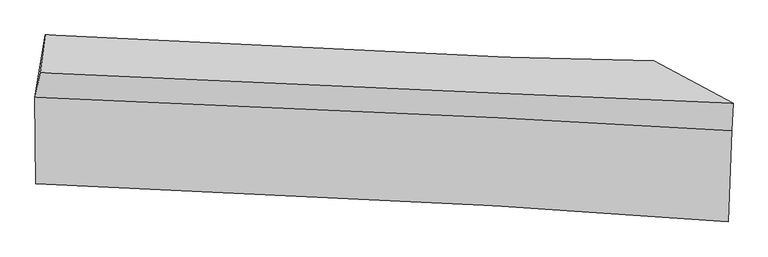
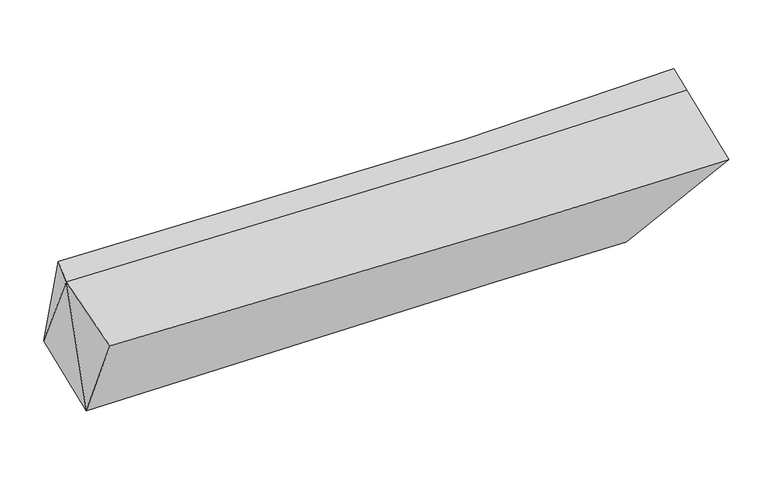
"""IFC4 building model written with IfcOpenShell, lengths in millimetres: proxy geometry."""

import ifcopenshell
import ifcopenshell.guid

model = None  # the IFC model being written
_history = None  # IfcOwnerHistory: only IFC2X3 demands one
_inside = {}  # id of a spatial element -> (the spatial element, [elements in it])
_under = {}  # id of a project, library or spatial element -> (it, [spatial elements below it])
_declared = {}  # id of a project -> (the project, [libraries it declares])
_typed = {}  # id of a type object -> (the type object, [elements of that type])
_made_of = {}  # id of a material, layer set ... -> (it, [elements and type objects made of it])


def new_model(schema):
    """Start an empty IFC model of exactly this schema.

    Asked for "IFC4X3", IfcOpenShell would pick the latest addendum, in which some entities
    have other attributes; the version numbers below select the first issue.
    IFC2X3 requires an IfcOwnerHistory on every rooted entity: one is made here for all.
    """
    global model, _history
    if schema == "IFC4X3":
        model = ifcopenshell.file(schema_version=(4, 3, 0, 0))
    else:
        model = ifcopenshell.file(schema=schema)
    _inside.clear()
    _under.clear()
    _declared.clear()
    _typed.clear()
    _made_of.clear()
    _history = None
    if model.schema == "IFC2X3":
        org = make("IfcOrganization", Name="unknown")
        user = make(
            "IfcPersonAndOrganization",
            ThePerson=make("IfcPerson", FamilyName="unknown"),
            TheOrganization=org,
        )
        app = make(
            "IfcApplication",
            ApplicationDeveloper=org,
            Version="unknown",
            ApplicationFullName="unknown",
            ApplicationIdentifier="unknown",
        )
        _history = make(
            "IfcOwnerHistory",
            OwningUser=user,
            OwningApplication=app,
            ChangeAction="ADDED",
            CreationDate=0,
        )
    return model


def make(cls, **values):
    """One entity of the class cls with the attributes given. An attribute that is None is left unset."""
    return model.create_entity(
        cls, **{name: value for name, value in values.items() if value is not None}
    )


def rooted(cls, **values):
    """An entity with a GlobalId (a new one), such as an element, a storey or a relation."""
    return make(cls, GlobalId=ifcopenshell.guid.new(), OwnerHistory=_history, **values)


def si_unit(unit_type, name, prefix=None):
    """IfcSIUnit, for example si_unit("LENGTHUNIT", "METRE", prefix="MILLI")."""
    return make("IfcSIUnit", UnitType=unit_type, Prefix=prefix, Name=name)


def assignment(units):
    """IfcUnitAssignment: the units of a project."""
    return None if units is None else make("IfcUnitAssignment", Units=units)


def point(xyz):
    """IfcCartesianPoint."""
    return None if xyz is None else make("IfcCartesianPoint", Coordinates=xyz)


def direction(xyz):
    """IfcDirection."""
    return None if xyz is None else make("IfcDirection", DirectionRatios=xyz)


def frame(location, z_axis=None, x_axis=None):
    """IfcAxis2Placement3D, a coordinate frame: its origin and axes. An axis left out is left unset."""
    return make(
        "IfcAxis2Placement3D",
        Location=point(location),
        Axis=direction(z_axis),
        RefDirection=direction(x_axis),
    )


def origin():
    """The frame at (0, 0, 0) with its axes left unset."""
    return frame((0.0, 0.0, 0.0))


def place(relative_to, where):
    """IfcLocalPlacement: puts the frame where relative to a parent placement (None: the world)."""
    return make(
        "IfcLocalPlacement", PlacementRelTo=relative_to, RelativePlacement=where
    )


def context(
    kind, dimensions, precision=None, world=None, true_north=None, identifier=None
):
    """IfcGeometricRepresentationContext, for example the 3D "Model" context."""
    return make(
        "IfcGeometricRepresentationContext",
        ContextIdentifier=identifier,
        ContextType=kind,
        CoordinateSpaceDimension=dimensions,
        Precision=precision,
        WorldCoordinateSystem=world,
        TrueNorth=true_north,
    )


def project(units=None, contexts=None):
    """IfcProject with its units and contexts."""
    return rooted(
        "IfcProject",
        Name="project",
        RepresentationContexts=contexts,
        UnitsInContext=assignment(units),
    )


def spatial(cls, under=None, at=None, **own):
    """A site, building, storey or space (cls), placed at a placement, below another one or the project."""
    s = rooted(cls, ObjectPlacement=at, **own)
    if under is not None:
        _under.setdefault(under.id(), (under, []))[1].append(s)
    return s


def shape(context_of_items, identifier, shape_type, items):
    """IfcShapeRepresentation: the items that make up one representation, for example the "Body"."""
    return make(
        "IfcShapeRepresentation",
        ContextOfItems=context_of_items,
        RepresentationIdentifier=identifier,
        RepresentationType=shape_type,
        Items=items,
    )


def source(mapping_origin, context_of_items, identifier, shape_type, items):
    """IfcRepresentationMap: a shape defined once, which mapped items show again and again."""
    return make(
        "IfcRepresentationMap",
        MappingOrigin=mapping_origin,
        MappedRepresentation=shape(context_of_items, identifier, shape_type, items),
    )


def transform(
    local_origin,
    x_axis=None,
    y_axis=None,
    z_axis=None,
    scale=None,
    scale2=None,
    scale3=None,
    uniform=True,
):
    """IfcCartesianTransformationOperator3D, or its non-uniform kind. x_axis, y_axis, z_axis: its Axis1, 2, 3."""
    if uniform:
        return make(
            "IfcCartesianTransformationOperator3D",
            Axis1=direction(x_axis),
            Axis2=direction(y_axis),
            LocalOrigin=point(local_origin),
            Scale=scale,
            Axis3=direction(z_axis),
        )
    return make(
        "IfcCartesianTransformationOperator3DnonUniform",
        Axis1=direction(x_axis),
        Axis2=direction(y_axis),
        LocalOrigin=point(local_origin),
        Scale=scale,
        Axis3=direction(z_axis),
        Scale2=scale2,
        Scale3=scale3,
    )


def mapped(mapping_source, mapping_target):
    """IfcMappedItem: shows the shape of a source again, moved by a transform."""
    return make(
        "IfcMappedItem", MappingSource=mapping_source, MappingTarget=mapping_target
    )


def made_of(thing, what):
    """Note that an element or type object is made of a material, layer set ...; save() writes the relation."""
    if what is not None:
        _made_of.setdefault(what.id(), (what, []))[1].append(thing)
    return thing


def element(
    cls,
    number,
    at=None,
    inside=None,
    cuts=None,
    type_object=None,
    material=None,
    context=None,
    identifier="Body",
    shape_type=None,
    held_by="IfcProductDefinitionShape",
    body=None,
    shapes=None,
    **own,
):
    """One element of the class cls, such as IfcWall. Its Tag is "e" and its number.

    at: its placement. inside: the storey or other place that contains it. cuts: it is an
    opening in that element (IfcRelVoidsElement). A single representation is given by context,
    identifier, shape_type and body (its items); several are given by shapes. held_by: the class
    of the entity that holds the representations. save() writes the other relations.
    """
    e = rooted(cls, Tag="e%d" % number, ObjectPlacement=at, **own)
    if body is not None:
        shapes = [shape(context, identifier, shape_type, body)]
    if shapes is not None:
        e.Representation = make(held_by, Representations=shapes)
    if inside is not None:
        _inside.setdefault(inside.id(), (inside, []))[1].append(e)
    if cuts is not None:
        rooted(
            "IfcRelVoidsElement", RelatingBuildingElement=cuts, RelatedOpeningElement=e
        )
    if type_object is not None:
        _typed.setdefault(type_object.id(), (type_object, []))[1].append(e)
    return made_of(e, material)


def aggregate(whole, parts):
    """IfcRelAggregates: a whole, such as a stair, and the parts it consists of."""
    return rooted("IfcRelAggregates", RelatingObject=whole, RelatedObjects=parts)


def save(model, path):
    """Write the relations noted so far, then the file.

    IfcRelAggregates (storeys below a building ...), IfcRelContainedInSpatialStructure (elements
    in a storey), IfcRelDefinesByType, IfcRelAssociatesMaterial and IfcRelDeclares: one each for
    every whole, place, type object, material and project.
    """
    for whole, parts in _under.values():
        aggregate(whole, parts)
    for where, things in _inside.values():
        rooted(
            "IfcRelContainedInSpatialStructure",
            RelatedElements=things,
            RelatingStructure=where,
        )
    for kind, things in _typed.values():
        rooted("IfcRelDefinesByType", RelatedObjects=things, RelatingType=kind)
    for what, things in _made_of.values():
        rooted("IfcRelAssociatesMaterial", RelatedObjects=things, RelatingMaterial=what)
    for by, libraries in _declared.values():
        rooted("IfcRelDeclares", RelatingContext=by, RelatedDefinitions=libraries)
    model.write(path)


def plane_surface(at):
    """IfcPlane: the flat surface through the origin of the frame at, square to its z axis."""
    return make("IfcPlane", Position=at)


def spline_curve(degree, points, multiplicities, knots, weights=None):
    """IfcBSplineCurveWithKnots; with weights, IfcRationalBSplineCurveWithKnots."""
    own = dict(
        Degree=degree,
        ControlPointsList=[point(p) for p in points],
        CurveForm="UNSPECIFIED",
        ClosedCurve=False,
        SelfIntersect=False,
        KnotMultiplicities=multiplicities,
        Knots=knots,
        KnotSpec="UNSPECIFIED",
    )
    if weights is None:
        return make("IfcBSplineCurveWithKnots", **own)
    return make("IfcRationalBSplineCurveWithKnots", WeightsData=weights, **own)


def spline_surface(u_degree, v_degree, points, u_multiplicities, v_multiplicities, u_knots, v_knots, weights=None):
    """IfcBSplineSurfaceWithKnots; with weights, IfcRationalBSplineSurfaceWithKnots. points: one row for each step in u."""
    own = dict(
        UDegree=u_degree,
        VDegree=v_degree,
        ControlPointsList=[[point(p) for p in row] for row in points],
        SurfaceForm="UNSPECIFIED",
        UClosed=False,
        VClosed=False,
        SelfIntersect=False,
        UMultiplicities=u_multiplicities,
        VMultiplicities=v_multiplicities,
        UKnots=u_knots,
        VKnots=v_knots,
        KnotSpec="UNSPECIFIED",
    )
    if weights is None:
        return make("IfcBSplineSurfaceWithKnots", **own)
    return make("IfcRationalBSplineSurfaceWithKnots", WeightsData=weights, **own)


def advanced_brep(points, edges, surfaces, faces):
    """IfcAdvancedBrep: a solid bounded by faces that lie on surfaces and meet in shared edges.

    An edge is (start, end): straight between two places in points (the first is 0);
    or (start, end, curve); or (start, end, curve, False) where it runs against its curve.
    A face is (place in surfaces, loops), or (place, loops, False) where it looks against
    its surface's normal. A loop lists edges by number (the first is 1), with a minus sign
    where the edge is run from its end to its start. The first loop is the outer one.
    """
    corners = [point(p) for p in points]
    vertices = [make("IfcVertexPoint", VertexGeometry=c) for c in corners]
    made = []
    for start, end, *more in edges:
        made.append(
            make(
                "IfcEdgeCurve",
                EdgeStart=vertices[start],
                EdgeEnd=vertices[end],
                EdgeGeometry=more[0] if more else make("IfcPolyline", Points=[corners[start], corners[end]]),
                SameSense=more[1] if len(more) > 1 else True,
            )
        )
    hull = []
    for where, loops, *sense in faces:
        bounds = []
        for j, loop in enumerate(loops):
            ring = [make("IfcOrientedEdge", EdgeElement=made[abs(k) - 1], Orientation=k > 0) for k in loop]
            bounds.append(
                make(
                    "IfcFaceOuterBound" if j == 0 else "IfcFaceBound",
                    Bound=make("IfcEdgeLoop", EdgeList=ring),
                    Orientation=True,
                )
            )
        hull.append(make("IfcAdvancedFace", Bounds=bounds, FaceSurface=surfaces[where], SameSense=sense[0] if sense else True))
    return make("IfcAdvancedBrep", Outer=make("IfcClosedShell", CfsFaces=hull))


def generic_models_51214221(model_context):
    return source(origin(), model_context, "Body", "AdvancedBrep", [
        advanced_brep(
        [(-1636.4527594, -1926.3154007, 3384.0360502), (-1632.6319121, -2398.3635976, 3241.7184461), (2154.231353, -2606.5248156, 3287.912356), (2174.5840919, -2109.9920674, 3443.3547895), (-1601.3759085, -2084.6681795, 2606.9663637), (1726.0547623, -2223.5942588, 2654.6432397), (-1580.8887958, -1584.8572002, 2763.4350663), (1746.4318836, -1726.4666691, 2810.2718918), (-1607.8111721, -1792.8278873, 3431.284884), (2180.8381366, -1957.4161404, 3491.1195613)],
        [
            (0, 1),
            (1, 2, spline_curve(3, [(-1632.6319121, -2398.3635976, 3241.7184461), (-905.218733138, -2420.670935597, 3220.139357506), (-69.658762157, -2461.277490282, 3221.16142829), (1280.69525397, -2545.566009265, 3254.964009178), (1707.423038034, -2574.346527163, 3269.339908233), (2154.231353, -2606.5248156, 3287.912356)], [4, 2, 4], [0.0, 8.724621640660754, 12.484098167834253])),
            (2, 3),
            (3, 0, spline_curve(3, [(2174.5840919, -2109.9920674, 3443.3547895), (1728.536450116, -2083.706200262, 3423.173845315), (1301.609533634, -2059.783788421, 3407.277088301), (-52.592969168, -1988.19293557, 3368.715212978), (-896.011669752, -1950.889792079, 3364.839056976), (-1636.4527594, -1926.3154007, 3384.0360502)], [4, 2, 4], [0.0, 3.759476527173499, 12.484098167834253])),
            (1, 4),
            (4, 5, spline_curve(3, [(-1601.3759085, -2084.6681795, 2606.9663637), (-595.249363153, -2121.403841932, 2622.612564484), (249.446513367, -2155.083796166, 2635.086133209), (1227.133600909, -2198.904160623, 2648.394882315), (1491.581281557, -2211.532899248, 2651.813605806), (1726.0547623, -2223.5942588, 2654.6432397)], [4, 2, 4], [0.0, 8.167066185051869, 11.686289697906645])),
            (5, 2),
            (4, 6),
            (6, 7, spline_curve(3, [(-1580.8887958, -1584.8572002, 2763.4350663), (-575.59983107, -1642.026780996, 2772.684311545), (268.825908452, -1682.297089646, 2783.094731695), (1246.938414151, -1715.738804559, 2799.652576859), (1511.619567696, -1722.671652297, 2804.854431667), (1746.4318836, -1726.4666691, 2810.2718918)], [4, 2, 4], [0.0, 7.636746900412815, 10.927453580719082])),
            (7, 5),
            (6, 8),
            (8, 9, spline_curve(3, [(-1607.8111721, -1792.8278873, 3431.284884), (-880.913165861, -1827.703566442, 3405.771203906), (-45.217564635, -1865.001235967, 3407.829140491), (1306.26176221, -1921.836265808, 3450.226193758), (1733.44926388, -1939.401347425, 3468.113149774), (2180.8381366, -1957.4161404, 3491.1195613)], [4, 2, 4], [0.0, 8.167320914680513, 11.68665419161436])),
            (9, 7),
            (8, 0),
            (3, 9),
            (0, 4),
            (6, 0),
        ],
        [
            spline_surface(3, 3, [[(-1636.4527594, -1926.3154007, 3384.0360502), (-896.011669864, -1950.889791978, 3364.839057093), (-52.592969232, -1988.19293569, 3368.715213103), (1301.609533662, -2059.783788369, 3407.277088247), (1728.536450079, -2083.706200259, 3423.173845363), (2174.5840919, -2109.9920674, 3443.3547895)], [(-1635.179143614, -2083.664799656, 3336.596848825), (-899.080690932, -2107.483506496, 3316.605823891), (-58.281566863, -2145.887787248, 3319.530618204), (1294.638107088, -2221.711195338, 3356.506061871), (1721.498646035, -2247.252975892, 3371.89586631), (2167.799845586, -2275.50298347, 3391.540645)], [(-1633.905527886, -2241.014198644, 3289.157647475), (-902.149712059, -2264.077221044, 3268.372590715), (-63.970164483, -2303.582638774, 3270.346023312), (1287.666680525, -2383.638602275, 3305.735035502), (1714.460842032, -2410.799751514, 3320.617887257), (2161.015599314, -2441.01389953, 3339.7265005)], [(-1632.6319121, -2398.3635976, 3241.7184461), (-905.218733127, -2420.670935562, 3220.139357513), (-69.658762114, -2461.277490332, 3221.161428412), (1280.695253951, -2545.566009244, 3254.964009126), (1707.423037988, -2574.346527147, 3269.339908204), (2154.231353, -2606.5248156, 3287.912356)]], [4, 4], [4, 2, 4], [0.0, 1.6356151415542908], [0.0, 8.724621640660754, 12.484098167834253]),
            spline_surface(3, 3, [[(-1632.6319121, -2398.3635976, 3241.7184461), (-905.218733127, -2420.670935562, 3220.139357513), (-69.658762114, -2461.277490332, 3221.161428412), (1280.695253951, -2545.566009244, 3254.964009126), (1707.423037988, -2574.346527147, 3269.339908204), (2154.231353, -2606.5248156, 3287.912356)], [(-1622.213244231, -2293.798458248, 3030.13441864), (-801.895609802, -2320.915237667, 3020.963759865), (36.709662995, -2359.212925628, 3025.80299665), (1262.84136961, -2430.012059678, 3052.774300196), (1635.475785829, -2453.4086512, 3063.497807398), (2011.505822768, -2478.881296678, 3076.822650569)], [(-1611.794576369, -2189.233318852, 2818.55039116), (-698.572486482, -2221.159539729, 2821.788162199), (143.078088138, -2257.148360961, 2830.444564898), (1244.987485301, -2314.45811015, 2850.584591276), (1563.528533665, -2332.47077522, 2857.655706586), (1868.780292532, -2351.237777722, 2865.732945131)], [(-1601.3759085, -2084.6681795, 2606.9663637), (-595.249363157, -2121.403841833, 2622.612564552), (249.446513248, -2155.083796257, 2635.086133136), (1227.13360096, -2198.904160584, 2648.394882346), (1491.581281506, -2211.532899274, 2651.81360578), (1726.0547623, -2223.5942588, 2654.6432397)]], [4, 4], [4, 2, 4], [0.0, 2.3183852979490163], [0.0, 8.167066185051869, 11.686289697906645]),
            spline_surface(3, 3, [[(-1601.3759085, -2084.6681795, 2606.9663637), (-595.249363157, -2121.403841833, 2622.612564552), (249.446513248, -2155.083796257, 2635.086133136), (1227.13360096, -2198.904160584, 2648.394882346), (1491.581281506, -2211.532899274, 2651.81360578), (1726.0547623, -2223.5942588, 2654.6432397)], [(-1594.546870927, -1918.064519733, 2659.122597901), (-588.699519124, -1961.611488201, 2672.636480181), (255.906311688, -1997.488227331, 2684.422332674), (1233.735205381, -2037.849041914, 2698.814113835), (1498.260710253, -2048.579150297, 2702.827214409), (1732.847136076, -2057.885062234, 2706.51945705)], [(-1587.717833373, -1751.460859967, 2711.278832099), (-582.14967511, -1801.819134568, 2722.660395806), (262.366110044, -1839.892658445, 2733.758532228), (1240.336809716, -1876.793923284, 2749.23334534), (1504.940138972, -1885.625401317, 2753.840823089), (1739.639509824, -1892.175865666, 2758.39567445)], [(-1580.8887958, -1584.8572002, 2763.4350663), (-575.599831076, -1642.026780935, 2772.684311435), (268.825908485, -1682.297089519, 2783.094731766), (1246.938414137, -1715.738804614, 2799.652576829), (1511.61956772, -1722.671652341, 2804.854431719), (1746.4318836, -1726.4666691, 2810.2718918)]], [4, 4], [4, 2, 4], [0.0, 1.6418344130207554], [0.0, 7.636746900412815, 10.927453580719082]),
            spline_surface(3, 3, [[(-1580.8887958, -1584.8572002, 2763.4350663), (-575.599831076, -1642.026780935, 2772.684311435), (268.825908485, -1682.297089519, 2783.094731766), (1246.938414137, -1715.738804614, 2799.652576829), (1511.61956772, -1722.671652341, 2804.854431719), (1746.4318836, -1726.4666691, 2810.2718918)], [(-1589.862921251, -1654.180762542, 2986.051672197), (-677.370942712, -1703.919042764, 2983.71327558), (164.144750754, -1743.198471669, 2991.339534648), (1266.712863498, -1784.43795835, 3016.51044916), (1585.562799775, -1794.914884003, 3025.94067107), (1891.233967942, -1803.44982618, 3037.221114967)], [(-1598.837046649, -1723.504324958, 3208.668278103), (-779.142054295, -1765.811304666, 3194.742239736), (59.463593037, -1804.099853808, 3199.584337509), (1286.487312874, -1853.137112076, 3233.36832147), (1659.506031804, -1867.158115725, 3247.026910419), (2036.036052258, -1880.43298332, 3264.170338133)], [(-1607.8111721, -1792.8278873, 3431.284884), (-880.91316593, -1827.703566495, 3405.771203881), (-45.217564694, -1865.001235957, 3407.829140391), (1306.261762235, -1921.836265812, 3450.226193801), (1733.449263859, -1939.401347386, 3468.11314977), (2180.8381366, -1957.4161404, 3491.1195613)]], [4, 4], [4, 2, 4], [0.0, 2.277672565749951], [0.0, 8.167320914680513, 11.68665419161436]),
            spline_surface(3, 3, [[(-1607.8111721, -1792.8278873, 3431.284884), (-880.91316593, -1827.703566495, 3405.771203881), (-45.217564694, -1865.001235957, 3407.829140391), (1306.261762235, -1921.836265812, 3450.226193801), (1733.449263859, -1939.401347386, 3468.11314977), (2180.8381366, -1957.4161404, 3491.1195613)], [(-1617.358367878, -1837.32372512, 3415.535272738), (-885.946000586, -1868.765641676, 3392.127154956), (-47.676032883, -1906.06513588, 3394.791164633), (1304.711019368, -1967.818773343, 3435.909825287), (1731.811659259, -1987.502965015, 3453.133381649), (2178.753455027, -2008.274782737, 3475.197970714)], [(-1626.905563622, -1881.81956288, 3399.785661462), (-890.978835208, -1909.827716797, 3378.483106018), (-50.134501043, -1947.129035767, 3381.753188862), (1303.160276529, -2013.801280839, 3421.593456761), (1730.174054678, -2035.604582631, 3438.153613484), (2176.668773473, -2059.133425063, 3459.276380086)], [(-1636.4527594, -1926.3154007, 3384.0360502), (-896.011669864, -1950.889791978, 3364.839057093), (-52.592969232, -1988.19293569, 3368.715213103), (1301.609533662, -2059.783788369, 3407.277088247), (1728.536450079, -2083.706200259, 3423.173845363), (2174.5840919, -2109.9920674, 3443.3547895)]], [4, 4], [4, 2, 4], [0.0, 0.4389671086681871], [0.0, 8.72449910040843, 12.483922824466653]),
            plane_surface(frame((1951.8890339, -2128.500471, 3060.9867622), z_axis=(0.8550015856363745, 0.12270285531760546, -0.5039010794354307), x_axis=(0.517150301222083, -0.2749398467143501, 0.8105329398825186))),
            plane_surface(frame((-1623.48686, -2136.4490593, 3077.57362), z_axis=(-0.9989109435344204, 0.005869633951559934, -0.04628686946045006), x_axis=(-0.04410170047896476, -0.4426190098761667, 0.8956246156237029))),
            plane_surface(frame((-1608.3842424, -1768.0001627, 3192.9186669), z_axis=(-0.9791446203144424, 0.20181535301642495, 0.023374682803036992), x_axis=(0.038460537645415196, 0.2971009814677792, -0.9540711681289337))),
            plane_surface(frame((-1606.2391546, -1865.2802602, 2918.1458268), z_axis=(-0.9966512648770524, 0.05867993524176761, -0.056946654151003195), x_axis=(-0.039087779486651916, -0.9535995438261923, -0.2985298234838206))),
        ],
        [
            (0, [[1, 2, 3, 4]]),
            (1, [[5, 6, 7, -2]]),
            (2, [[8, 9, 10, -6]]),
            (3, [[11, 12, 13, -9]]),
            (4, [[14, -4, 15, -12]]),
            (5, [[-13, -15, -3, -7, -10]]),
            (6, [[-5, -1, 16]]),
            (7, [[-11, 17, -14]]),
            (8, [[-8, -16, -17]]),
        ],
    ),
    ])


if __name__ == "__main__":
    model = new_model("IFC4")
    model_context = context("Model", 3, world=origin())
    ifc_project = project(units=[si_unit("LENGTHUNIT", "METRE", prefix="MILLI")], contexts=[model_context])
    site = spatial("IfcSite", under=ifc_project)
    building = spatial("IfcBuilding", under=site)
    placement = place(None, origin())
    generic_models_shape = generic_models_51214221(model_context)
    element("IfcBuildingElementProxy", 1, Name="Generic Models", at=placement, inside=building, context=model_context, shape_type="MappedRepresentation", body=[
        mapped(generic_models_shape, transform((0.0, 0.0, 0.0), x_axis=(1.0, 0.0, 0.0), y_axis=(0.0, 1.0, 0.0), z_axis=(0.0, 0.0, 1.0))),
    ])
    save(model, "model.ifc")
